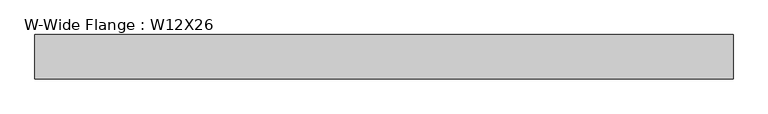
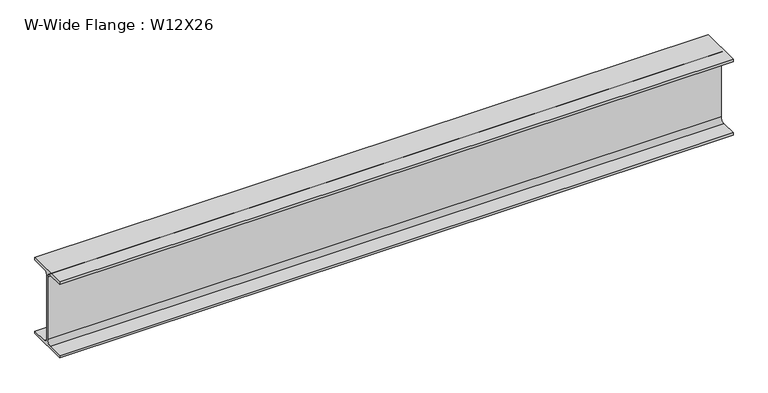
"""IFC4 building model written with IfcOpenShell, lengths in millimetres: beam geometry, W-Wide Flange : W12X26."""

import ifcopenshell
import ifcopenshell.guid

model = None  # the IFC model being written
_history = None  # IfcOwnerHistory: only IFC2X3 demands one
_inside = {}  # id of a spatial element -> (the spatial element, [elements in it])
_under = {}  # id of a project, library or spatial element -> (it, [spatial elements below it])
_declared = {}  # id of a project -> (the project, [libraries it declares])
_typed = {}  # id of a type object -> (the type object, [elements of that type])
_made_of = {}  # id of a material, layer set ... -> (it, [elements and type objects made of it])


def new_model(schema):
    """Start an empty IFC model of exactly this schema.

    Asked for "IFC4X3", IfcOpenShell would pick the latest addendum, in which some entities
    have other attributes; the version numbers below select the first issue.
    IFC2X3 requires an IfcOwnerHistory on every rooted entity: one is made here for all.
    """
    global model, _history
    if schema == "IFC4X3":
        model = ifcopenshell.file(schema_version=(4, 3, 0, 0))
    else:
        model = ifcopenshell.file(schema=schema)
    _inside.clear()
    _under.clear()
    _declared.clear()
    _typed.clear()
    _made_of.clear()
    _history = None
    if model.schema == "IFC2X3":
        org = make("IfcOrganization", Name="unknown")
        user = make(
            "IfcPersonAndOrganization",
            ThePerson=make("IfcPerson", FamilyName="unknown"),
            TheOrganization=org,
        )
        app = make(
            "IfcApplication",
            ApplicationDeveloper=org,
            Version="unknown",
            ApplicationFullName="unknown",
            ApplicationIdentifier="unknown",
        )
        _history = make(
            "IfcOwnerHistory",
            OwningUser=user,
            OwningApplication=app,
            ChangeAction="ADDED",
            CreationDate=0,
        )
    return model


def make(cls, **values):
    """One entity of the class cls with the attributes given. An attribute that is None is left unset."""
    return model.create_entity(
        cls, **{name: value for name, value in values.items() if value is not None}
    )


def rooted(cls, **values):
    """An entity with a GlobalId (a new one), such as an element, a storey or a relation."""
    return make(cls, GlobalId=ifcopenshell.guid.new(), OwnerHistory=_history, **values)


def si_unit(unit_type, name, prefix=None):
    """IfcSIUnit, for example si_unit("LENGTHUNIT", "METRE", prefix="MILLI")."""
    return make("IfcSIUnit", UnitType=unit_type, Prefix=prefix, Name=name)


def assignment(units):
    """IfcUnitAssignment: the units of a project."""
    return None if units is None else make("IfcUnitAssignment", Units=units)


def point(xyz):
    """IfcCartesianPoint."""
    return None if xyz is None else make("IfcCartesianPoint", Coordinates=xyz)


def direction(xyz):
    """IfcDirection."""
    return None if xyz is None else make("IfcDirection", DirectionRatios=xyz)


def frame(location, z_axis=None, x_axis=None):
    """IfcAxis2Placement3D, a coordinate frame: its origin and axes. An axis left out is left unset."""
    return make(
        "IfcAxis2Placement3D",
        Location=point(location),
        Axis=direction(z_axis),
        RefDirection=direction(x_axis),
    )


def frame_2d(location, x_axis=None):
    """IfcAxis2Placement2D, a coordinate frame in the plane: its origin and x axis."""
    return make(
        "IfcAxis2Placement2D", Location=point(location), RefDirection=direction(x_axis)
    )


def origin():
    """The frame at (0, 0, 0) with its axes left unset."""
    return frame((0.0, 0.0, 0.0))


def place(relative_to, where):
    """IfcLocalPlacement: puts the frame where relative to a parent placement (None: the world)."""
    return make(
        "IfcLocalPlacement", PlacementRelTo=relative_to, RelativePlacement=where
    )


def context(
    kind, dimensions, precision=None, world=None, true_north=None, identifier=None
):
    """IfcGeometricRepresentationContext, for example the 3D "Model" context."""
    return make(
        "IfcGeometricRepresentationContext",
        ContextIdentifier=identifier,
        ContextType=kind,
        CoordinateSpaceDimension=dimensions,
        Precision=precision,
        WorldCoordinateSystem=world,
        TrueNorth=true_north,
    )


def project(units=None, contexts=None):
    """IfcProject with its units and contexts."""
    return rooted(
        "IfcProject",
        Name="project",
        RepresentationContexts=contexts,
        UnitsInContext=assignment(units),
    )


def spatial(cls, under=None, at=None, **own):
    """A site, building, storey or space (cls), placed at a placement, below another one or the project."""
    s = rooted(cls, ObjectPlacement=at, **own)
    if under is not None:
        _under.setdefault(under.id(), (under, []))[1].append(s)
    return s


def polyline(points):
    """IfcPolyline through the points."""
    return make("IfcPolyline", Points=[point(p) for p in points])


def circle_curve(where, radius):
    """IfcCircle in the frame where."""
    return make("IfcCircle", Position=where, Radius=radius)


def trimmed(basis, trim1, trim2, sense, master):
    """IfcTrimmedCurve: the piece of a basis curve between two trims."""
    return make(
        "IfcTrimmedCurve",
        BasisCurve=basis,
        Trim1=trim1,
        Trim2=trim2,
        SenseAgreement=sense,
        MasterRepresentation=master,
    )


def segment(curve, same_sense, transition):
    """IfcCompositeCurveSegment."""
    return make(
        "IfcCompositeCurveSegment",
        Transition=transition,
        SameSense=same_sense,
        ParentCurve=curve,
    )


def composite_curve(segments, self_intersect=None):
    """IfcCompositeCurve: segments joined end to end."""
    return make("IfcCompositeCurve", Segments=segments, SelfIntersect=self_intersect)


def outline(outer, holes=None, kind="AREA"):
    """IfcArbitraryClosedProfileDef: a profile drawn as a closed curve; with holes, ...WithVoids."""
    if holes is None:
        return make("IfcArbitraryClosedProfileDef", ProfileType=kind, OuterCurve=outer)
    return make(
        "IfcArbitraryProfileDefWithVoids",
        ProfileType=kind,
        OuterCurve=outer,
        InnerCurves=holes,
    )


def extrude(swept, where, along, depth):
    """IfcExtrudedAreaSolid: the profile swept, set in the frame where, extruded along a direction by depth."""
    return make(
        "IfcExtrudedAreaSolid",
        SweptArea=swept,
        Position=where,
        ExtrudedDirection=direction(along),
        Depth=depth,
    )


def shape(context_of_items, identifier, shape_type, items):
    """IfcShapeRepresentation: the items that make up one representation, for example the "Body"."""
    return make(
        "IfcShapeRepresentation",
        ContextOfItems=context_of_items,
        RepresentationIdentifier=identifier,
        RepresentationType=shape_type,
        Items=items,
    )


def source(mapping_origin, context_of_items, identifier, shape_type, items):
    """IfcRepresentationMap: a shape defined once, which mapped items show again and again."""
    return make(
        "IfcRepresentationMap",
        MappingOrigin=mapping_origin,
        MappedRepresentation=shape(context_of_items, identifier, shape_type, items),
    )


def transform(
    local_origin,
    x_axis=None,
    y_axis=None,
    z_axis=None,
    scale=None,
    scale2=None,
    scale3=None,
    uniform=True,
):
    """IfcCartesianTransformationOperator3D, or its non-uniform kind. x_axis, y_axis, z_axis: its Axis1, 2, 3."""
    if uniform:
        return make(
            "IfcCartesianTransformationOperator3D",
            Axis1=direction(x_axis),
            Axis2=direction(y_axis),
            LocalOrigin=point(local_origin),
            Scale=scale,
            Axis3=direction(z_axis),
        )
    return make(
        "IfcCartesianTransformationOperator3DnonUniform",
        Axis1=direction(x_axis),
        Axis2=direction(y_axis),
        LocalOrigin=point(local_origin),
        Scale=scale,
        Axis3=direction(z_axis),
        Scale2=scale2,
        Scale3=scale3,
    )


def mapped(mapping_source, mapping_target):
    """IfcMappedItem: shows the shape of a source again, moved by a transform."""
    return make(
        "IfcMappedItem", MappingSource=mapping_source, MappingTarget=mapping_target
    )


def made_of(thing, what):
    """Note that an element or type object is made of a material, layer set ...; save() writes the relation."""
    if what is not None:
        _made_of.setdefault(what.id(), (what, []))[1].append(thing)
    return thing


def element(
    cls,
    number,
    at=None,
    inside=None,
    cuts=None,
    type_object=None,
    material=None,
    context=None,
    identifier="Body",
    shape_type=None,
    held_by="IfcProductDefinitionShape",
    body=None,
    shapes=None,
    **own,
):
    """One element of the class cls, such as IfcWall. Its Tag is "e" and its number.

    at: its placement. inside: the storey or other place that contains it. cuts: it is an
    opening in that element (IfcRelVoidsElement). A single representation is given by context,
    identifier, shape_type and body (its items); several are given by shapes. held_by: the class
    of the entity that holds the representations. save() writes the other relations.
    """
    e = rooted(cls, Tag="e%d" % number, ObjectPlacement=at, **own)
    if body is not None:
        shapes = [shape(context, identifier, shape_type, body)]
    if shapes is not None:
        e.Representation = make(held_by, Representations=shapes)
    if inside is not None:
        _inside.setdefault(inside.id(), (inside, []))[1].append(e)
    if cuts is not None:
        rooted(
            "IfcRelVoidsElement", RelatingBuildingElement=cuts, RelatedOpeningElement=e
        )
    if type_object is not None:
        _typed.setdefault(type_object.id(), (type_object, []))[1].append(e)
    return made_of(e, material)


def aggregate(whole, parts):
    """IfcRelAggregates: a whole, such as a stair, and the parts it consists of."""
    return rooted("IfcRelAggregates", RelatingObject=whole, RelatedObjects=parts)


def save(model, path):
    """Write the relations noted so far, then the file.

    IfcRelAggregates (storeys below a building ...), IfcRelContainedInSpatialStructure (elements
    in a storey), IfcRelDefinesByType, IfcRelAssociatesMaterial and IfcRelDeclares: one each for
    every whole, place, type object, material and project.
    """
    for whole, parts in _under.values():
        aggregate(whole, parts)
    for where, things in _inside.values():
        rooted(
            "IfcRelContainedInSpatialStructure",
            RelatedElements=things,
            RelatingStructure=where,
        )
    for kind, things in _typed.values():
        rooted("IfcRelDefinesByType", RelatedObjects=things, RelatingType=kind)
    for what, things in _made_of.values():
        rooted("IfcRelAssociatesMaterial", RelatedObjects=things, RelatingMaterial=what)
    for by, libraries in _declared.values():
        rooted("IfcRelDeclares", RelatingContext=by, RelatedDefinitions=libraries)
    model.write(path)


def w_wide_flange_w12x26_f3de9a0d(model_context):
    return source(origin(), model_context, "Body", "SweptSolid", [
        extrude(outline(composite_curve([segment(polyline([(82.4011719, -145.5539063), (82.4011719, -155.178125), (-82.4011719, -155.178125), (-82.4011719, -145.5539063), (-20.2902344, -145.5539063)]), True, "CONTINUOUS"), segment(trimmed(circle_curve(frame_2d((-20.2902344, -128.190625)), 17.3632812), [point((-20.2902344, -145.5539063))], [point((-2.9269531, -128.190625))], True, "CARTESIAN"), True, "CONTINUOUS"), segment(polyline([(-2.9269531, -128.190625), (-2.9269531, 128.190625)]), True, "CONTINUOUS"), segment(trimmed(circle_curve(frame_2d((-20.2902344, 128.190625)), 17.3632812), [point((-2.9269531, 128.190625))], [point((-20.2902344, 145.5539062))], True, "CARTESIAN"), True, "CONTINUOUS"), segment(polyline([(-20.2902344, 145.5539062), (-82.4011719, 145.5539062), (-82.4011719, 155.178125), (82.4011719, 155.178125), (82.4011719, 145.5539062), (20.2902344, 145.5539062)]), True, "CONTINUOUS"), segment(trimmed(circle_curve(frame_2d((20.2902344, 128.190625)), 17.3632812), [point((20.2902344, 145.5539062))], [point((2.9269531, 128.190625))], True, "CARTESIAN"), True, "CONTINUOUS"), segment(polyline([(2.9269531, 128.190625), (2.9269531, -128.190625)]), True, "CONTINUOUS"), segment(trimmed(circle_curve(frame_2d((20.2902344, -128.190625)), 17.3632812), [point((2.9269531, -128.190625))], [point((20.2902344, -145.5539063))], True, "CARTESIAN"), True, "CONTINUOUS"), segment(polyline([(20.2902344, -145.5539063), (82.4011719, -145.5539063)]), True, "CONTINUOUS")], self_intersect=False)), frame((-1301.8988281, 0.0, 0.0), z_axis=(1.0, 0.0, 0.0), x_axis=(0.0, 1.0, 0.0)), (0.0, 0.0, 1.0), 2603.7976562),
    ])


if __name__ == "__main__":
    model = new_model("IFC4")
    model_context = context("Model", 3, world=origin())
    ifc_project = project(units=[si_unit("LENGTHUNIT", "METRE", prefix="MILLI")], contexts=[model_context])
    site = spatial("IfcSite", under=ifc_project)
    building = spatial("IfcBuilding", under=site)
    placement = place(None, origin())
    w_wide_flange_w12x26_shape = w_wide_flange_w12x26_f3de9a0d(model_context)
    element("IfcBeam", 1, ObjectType="W-Wide Flange : W12X26", at=placement, inside=building, context=model_context, shape_type="MappedRepresentation", body=[
        mapped(w_wide_flange_w12x26_shape, transform((0.0, 0.0, 0.0), x_axis=(1.0, 0.0, 0.0), y_axis=(0.0, 1.0, 0.0), z_axis=(0.0, 0.0, 1.0))),
    ])
    save(model, "model.ifc")
